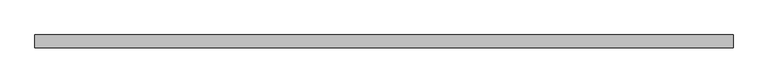
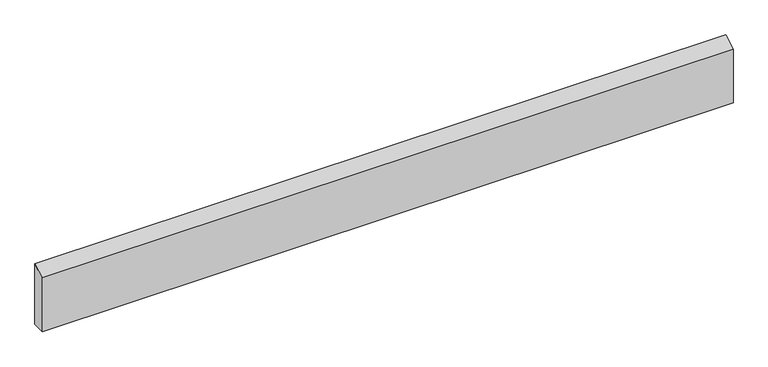
"""IFC4 building model written with IfcOpenShell, lengths in millimetres: beam geometry."""

import ifcopenshell
import ifcopenshell.guid

model = None  # the IFC model being written
_history = None  # IfcOwnerHistory: only IFC2X3 demands one
_inside = {}  # id of a spatial element -> (the spatial element, [elements in it])
_under = {}  # id of a project, library or spatial element -> (it, [spatial elements below it])
_declared = {}  # id of a project -> (the project, [libraries it declares])
_typed = {}  # id of a type object -> (the type object, [elements of that type])
_made_of = {}  # id of a material, layer set ... -> (it, [elements and type objects made of it])


def new_model(schema):
    """Start an empty IFC model of exactly this schema.

    Asked for "IFC4X3", IfcOpenShell would pick the latest addendum, in which some entities
    have other attributes; the version numbers below select the first issue.
    IFC2X3 requires an IfcOwnerHistory on every rooted entity: one is made here for all.
    """
    global model, _history
    if schema == "IFC4X3":
        model = ifcopenshell.file(schema_version=(4, 3, 0, 0))
    else:
        model = ifcopenshell.file(schema=schema)
    _inside.clear()
    _under.clear()
    _declared.clear()
    _typed.clear()
    _made_of.clear()
    _history = None
    if model.schema == "IFC2X3":
        org = make("IfcOrganization", Name="unknown")
        user = make(
            "IfcPersonAndOrganization",
            ThePerson=make("IfcPerson", FamilyName="unknown"),
            TheOrganization=org,
        )
        app = make(
            "IfcApplication",
            ApplicationDeveloper=org,
            Version="unknown",
            ApplicationFullName="unknown",
            ApplicationIdentifier="unknown",
        )
        _history = make(
            "IfcOwnerHistory",
            OwningUser=user,
            OwningApplication=app,
            ChangeAction="ADDED",
            CreationDate=0,
        )
    return model


def make(cls, **values):
    """One entity of the class cls with the attributes given. An attribute that is None is left unset."""
    return model.create_entity(
        cls, **{name: value for name, value in values.items() if value is not None}
    )


def rooted(cls, **values):
    """An entity with a GlobalId (a new one), such as an element, a storey or a relation."""
    return make(cls, GlobalId=ifcopenshell.guid.new(), OwnerHistory=_history, **values)


def si_unit(unit_type, name, prefix=None):
    """IfcSIUnit, for example si_unit("LENGTHUNIT", "METRE", prefix="MILLI")."""
    return make("IfcSIUnit", UnitType=unit_type, Prefix=prefix, Name=name)


def assignment(units):
    """IfcUnitAssignment: the units of a project."""
    return None if units is None else make("IfcUnitAssignment", Units=units)


def point(xyz):
    """IfcCartesianPoint."""
    return None if xyz is None else make("IfcCartesianPoint", Coordinates=xyz)


def direction(xyz):
    """IfcDirection."""
    return None if xyz is None else make("IfcDirection", DirectionRatios=xyz)


def frame(location, z_axis=None, x_axis=None):
    """IfcAxis2Placement3D, a coordinate frame: its origin and axes. An axis left out is left unset."""
    return make(
        "IfcAxis2Placement3D",
        Location=point(location),
        Axis=direction(z_axis),
        RefDirection=direction(x_axis),
    )


def origin():
    """The frame at (0, 0, 0) with its axes left unset."""
    return frame((0.0, 0.0, 0.0))


def place(relative_to, where):
    """IfcLocalPlacement: puts the frame where relative to a parent placement (None: the world)."""
    return make(
        "IfcLocalPlacement", PlacementRelTo=relative_to, RelativePlacement=where
    )


def context(
    kind, dimensions, precision=None, world=None, true_north=None, identifier=None
):
    """IfcGeometricRepresentationContext, for example the 3D "Model" context."""
    return make(
        "IfcGeometricRepresentationContext",
        ContextIdentifier=identifier,
        ContextType=kind,
        CoordinateSpaceDimension=dimensions,
        Precision=precision,
        WorldCoordinateSystem=world,
        TrueNorth=true_north,
    )


def project(units=None, contexts=None):
    """IfcProject with its units and contexts."""
    return rooted(
        "IfcProject",
        Name="project",
        RepresentationContexts=contexts,
        UnitsInContext=assignment(units),
    )


def spatial(cls, under=None, at=None, **own):
    """A site, building, storey or space (cls), placed at a placement, below another one or the project."""
    s = rooted(cls, ObjectPlacement=at, **own)
    if under is not None:
        _under.setdefault(under.id(), (under, []))[1].append(s)
    return s


def polyline(points):
    """IfcPolyline through the points."""
    return make("IfcPolyline", Points=[point(p) for p in points])


def outline(outer, holes=None, kind="AREA"):
    """IfcArbitraryClosedProfileDef: a profile drawn as a closed curve; with holes, ...WithVoids."""
    if holes is None:
        return make("IfcArbitraryClosedProfileDef", ProfileType=kind, OuterCurve=outer)
    return make(
        "IfcArbitraryProfileDefWithVoids",
        ProfileType=kind,
        OuterCurve=outer,
        InnerCurves=holes,
    )


def extrude(swept, where, along, depth):
    """IfcExtrudedAreaSolid: the profile swept, set in the frame where, extruded along a direction by depth."""
    return make(
        "IfcExtrudedAreaSolid",
        SweptArea=swept,
        Position=where,
        ExtrudedDirection=direction(along),
        Depth=depth,
    )


def shape(context_of_items, identifier, shape_type, items):
    """IfcShapeRepresentation: the items that make up one representation, for example the "Body"."""
    return make(
        "IfcShapeRepresentation",
        ContextOfItems=context_of_items,
        RepresentationIdentifier=identifier,
        RepresentationType=shape_type,
        Items=items,
    )


def source(mapping_origin, context_of_items, identifier, shape_type, items):
    """IfcRepresentationMap: a shape defined once, which mapped items show again and again."""
    return make(
        "IfcRepresentationMap",
        MappingOrigin=mapping_origin,
        MappedRepresentation=shape(context_of_items, identifier, shape_type, items),
    )


def transform(
    local_origin,
    x_axis=None,
    y_axis=None,
    z_axis=None,
    scale=None,
    scale2=None,
    scale3=None,
    uniform=True,
):
    """IfcCartesianTransformationOperator3D, or its non-uniform kind. x_axis, y_axis, z_axis: its Axis1, 2, 3."""
    if uniform:
        return make(
            "IfcCartesianTransformationOperator3D",
            Axis1=direction(x_axis),
            Axis2=direction(y_axis),
            LocalOrigin=point(local_origin),
            Scale=scale,
            Axis3=direction(z_axis),
        )
    return make(
        "IfcCartesianTransformationOperator3DnonUniform",
        Axis1=direction(x_axis),
        Axis2=direction(y_axis),
        LocalOrigin=point(local_origin),
        Scale=scale,
        Axis3=direction(z_axis),
        Scale2=scale2,
        Scale3=scale3,
    )


def mapped(mapping_source, mapping_target):
    """IfcMappedItem: shows the shape of a source again, moved by a transform."""
    return make(
        "IfcMappedItem", MappingSource=mapping_source, MappingTarget=mapping_target
    )


def made_of(thing, what):
    """Note that an element or type object is made of a material, layer set ...; save() writes the relation."""
    if what is not None:
        _made_of.setdefault(what.id(), (what, []))[1].append(thing)
    return thing


def element(
    cls,
    number,
    at=None,
    inside=None,
    cuts=None,
    type_object=None,
    material=None,
    context=None,
    identifier="Body",
    shape_type=None,
    held_by="IfcProductDefinitionShape",
    body=None,
    shapes=None,
    **own,
):
    """One element of the class cls, such as IfcWall. Its Tag is "e" and its number.

    at: its placement. inside: the storey or other place that contains it. cuts: it is an
    opening in that element (IfcRelVoidsElement). A single representation is given by context,
    identifier, shape_type and body (its items); several are given by shapes. held_by: the class
    of the entity that holds the representations. save() writes the other relations.
    """
    e = rooted(cls, Tag="e%d" % number, ObjectPlacement=at, **own)
    if body is not None:
        shapes = [shape(context, identifier, shape_type, body)]
    if shapes is not None:
        e.Representation = make(held_by, Representations=shapes)
    if inside is not None:
        _inside.setdefault(inside.id(), (inside, []))[1].append(e)
    if cuts is not None:
        rooted(
            "IfcRelVoidsElement", RelatingBuildingElement=cuts, RelatedOpeningElement=e
        )
    if type_object is not None:
        _typed.setdefault(type_object.id(), (type_object, []))[1].append(e)
    return made_of(e, material)


def aggregate(whole, parts):
    """IfcRelAggregates: a whole, such as a stair, and the parts it consists of."""
    return rooted("IfcRelAggregates", RelatingObject=whole, RelatedObjects=parts)


def save(model, path):
    """Write the relations noted so far, then the file.

    IfcRelAggregates (storeys below a building ...), IfcRelContainedInSpatialStructure (elements
    in a storey), IfcRelDefinesByType, IfcRelAssociatesMaterial and IfcRelDeclares: one each for
    every whole, place, type object, material and project.
    """
    for whole, parts in _under.values():
        aggregate(whole, parts)
    for where, things in _inside.values():
        rooted(
            "IfcRelContainedInSpatialStructure",
            RelatedElements=things,
            RelatingStructure=where,
        )
    for kind, things in _typed.values():
        rooted("IfcRelDefinesByType", RelatedObjects=things, RelatingType=kind)
    for what, things in _made_of.values():
        rooted("IfcRelAssociatesMaterial", RelatedObjects=things, RelatingMaterial=what)
    for by, libraries in _declared.values():
        rooted("IfcRelDeclares", RelatingContext=by, RelatedDefinitions=libraries)
    model.write(path)


def beam_57b706e4(model_context):
    return source(origin(), model_context, "Body", "SweptSolid", [
        extrude(outline(polyline([(11.0, 68.6333333), (11.0, -42.9666667), (-11.0, -42.9666667), (-11.0, 55.8), (11.0, 68.6333333)])), frame((-601.0, 0.0, 0.0), z_axis=(1.0, 0.0, 0.0), x_axis=(0.0, 1.0, 0.0)), (0.0, 0.0, 1.0), 1202.0),
    ])


if __name__ == "__main__":
    model = new_model("IFC4")
    model_context = context("Model", 3, world=origin())
    ifc_project = project(units=[si_unit("LENGTHUNIT", "METRE", prefix="MILLI")], contexts=[model_context])
    site = spatial("IfcSite", under=ifc_project)
    building = spatial("IfcBuilding", under=site)
    placement = place(None, origin())
    beam_shape = beam_57b706e4(model_context)
    element("IfcBeam", 1, at=placement, inside=building, context=model_context, shape_type="MappedRepresentation", body=[
        mapped(beam_shape, transform((0.0, 0.0, 0.0), x_axis=(1.0, 0.0, 0.0), y_axis=(0.0, 1.0, 0.0), z_axis=(0.0, 0.0, 1.0))),
    ])
    save(model, "model.ifc")
